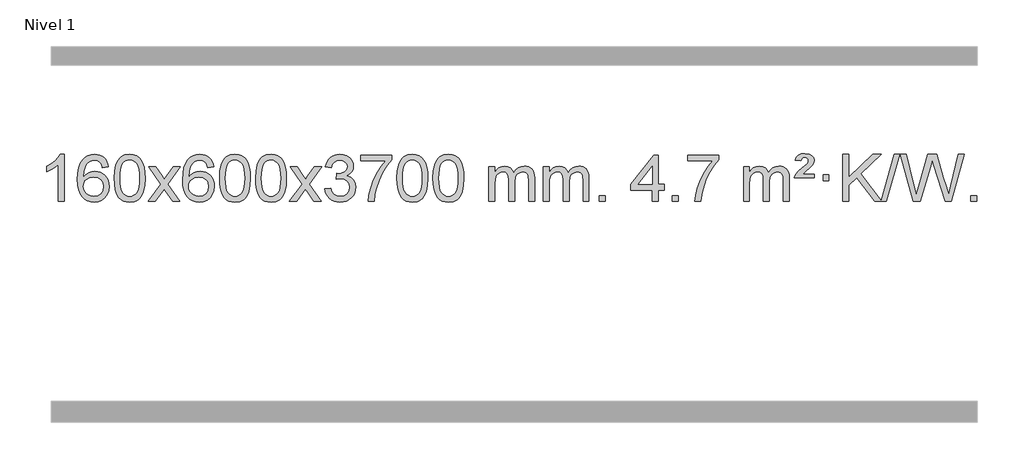
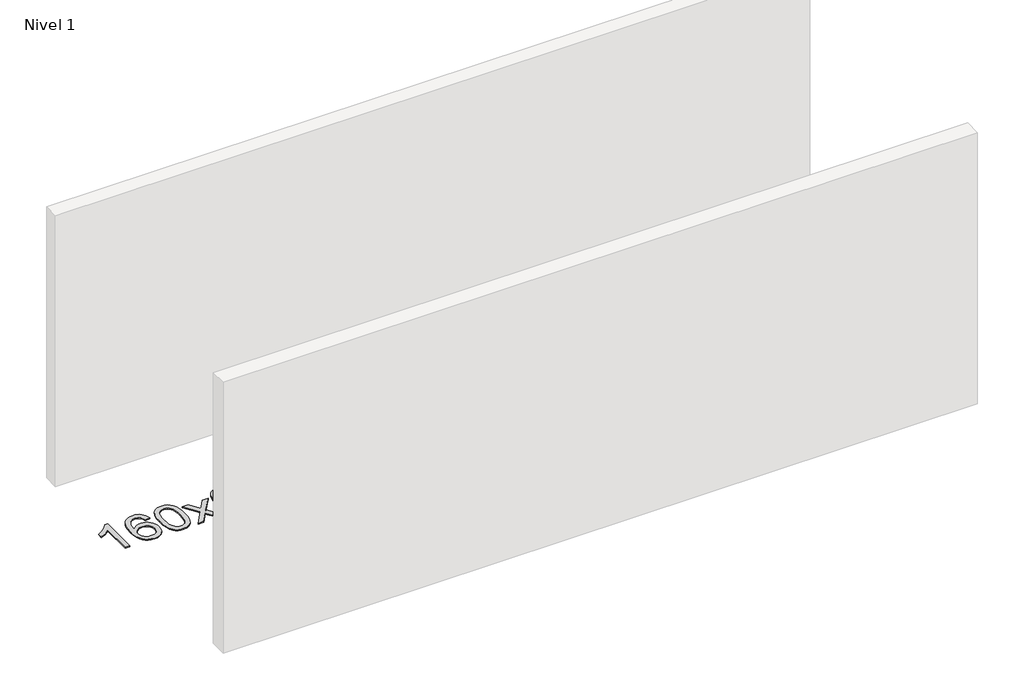
# One storey, part 9 of 16: 1 proxy.
"""IFC4 building model written with IfcOpenShell, lengths in millimetres."""

from ifc_helpers import new_model, si_unit, origin, origin_with_axes, place, context, project, spatial, polyline, outline, extrude, element, save

model = new_model("IFC4")

# Units and contexts
model_context = context("Model", 3, world=origin())
ifc_project = project(units=[si_unit("LENGTHUNIT", "METRE", prefix="MILLI")], contexts=[model_context])

# Site, building, storey
site = spatial("IfcSite", under=ifc_project)
building = spatial("IfcBuilding", under=site)
storey = spatial("IfcBuildingStorey", under=building, Name="Nivel 1", Elevation=0.0)

# Proxy
placement = place(None, origin())
element("IfcBuildingElementProxy", 1, Name="Texto de modelo 1", ObjectType="Texto de modelo 1", at=placement, inside=storey, context=model_context, shape_type="SweptSolid", body=[
    extrude(outline(polyline([(-121.6378538, -18470.579453), (-171.8660089, -18470.579453), (-171.8660089, -18157.4382987), (-192.8352826, -18174.3976587), (-219.4454136, -18191.3324932), (-272.3223191, -18216.6918254), (-272.3223191, -18169.2105225), (-232.8731065, -18147.7507395), (-198.6968691, -18122.219729), (-171.7556443, -18095.0700378), (-154.0114694, -18068.7542124), (-121.6378538, -18068.7542124), (-121.6378538, -18470.579453)])), origin_with_axes(), (0.0, 0.0, 1.0), 10.0),
    extrude(outline(polyline([(255.0733092, -18175.4890419), (204.8451541, -18181.7675613), (196.7517502, -18156.874213), (185.8133923, -18139.8780648), (163.029234, -18124.2062918), (135.4871353, -18118.9823675), (112.1388914, -18122.0235253), (90.1640735, -18131.1469988), (71.2917272, -18150.3627017), (55.8774716, -18176.8134171), (45.4664111, -18214.227016), (41.6036501, -18266.3313693), (61.7513207, -18242.8237098), (85.8966424, -18226.2567573), (112.6907143, -18216.434308), (140.784636, -18213.1601582), (164.9176949, -18215.398107), (187.1868184, -18222.1119534), (207.5920064, -18233.3016975), (226.1332589, -18248.9673391), (241.5413832, -18268.1769106), (252.5471862, -18289.9984443), (259.150668, -18314.4319401), (261.3518286, -18341.4773982), (257.2070248, -18377.4439945), (244.7726133, -18410.786366), (225.0786639, -18439.0642287), (199.1552459, -18459.8372987), (168.179582, -18472.602804), (133.3288943, -18476.8579724), (103.3863656, -18474.0375437), (76.3439732, -18465.5762579), (52.2017173, -18451.4741147), (30.9595978, -18431.7311143), (13.6415528, -18405.5133908), (1.2715207, -18371.9870783), (-6.1504985, -18331.1521768), (-8.6245049, -18283.0086864), (-5.8776527, -18229.0342663), (2.362904, -18182.9693092), (16.0971651, -18144.8138149), (35.3251308, -18114.5677835), (56.1656458, -18094.5243462), (80.3293615, -18080.2076052), (107.8162779, -18071.6175606), (138.626395, -18068.7542124), (161.7600411, -18070.5261773), (182.698658, -18075.8420722), (201.4422457, -18084.7018969), (217.9908041, -18097.1056515), (231.8967435, -18112.6364031), (242.7124742, -18130.8772186), (250.4379961, -18151.8280983), (255.0733092, -18175.4890419)]), holes=[polyline([(41.6036501, -18340.6925832), (44.5099179, -18362.9494439), (53.2287212, -18384.2007605), (66.7667786, -18402.472233), (84.1308088, -18415.7895612), (105.0878198, -18423.9197533), (129.4048197, -18426.6298173), (162.5509874, -18421.0134855), (176.4661239, -18413.9930708), (188.6092954, -18404.1644901), (198.4593358, -18391.9262824), (205.495079, -18377.6769865), (211.1236735, -18343.1451299), (205.5686554, -18309.9989621), (198.6248827, -18296.3781312), (188.903601, -18284.725469), (176.7236413, -18275.3904634), (162.4038346, -18268.7226022), (127.3446805, -18263.3883133), (94.2475637, -18268.7226022), (66.5705749, -18284.725469), (55.6475453, -18296.2248471), (47.8453813, -18309.3858254), (43.1640829, -18324.2084042), (41.6036501, -18340.6925832)])]), origin_with_axes(), (0.0, 0.0, 1.0), 10.0),
    extrude(outline(polyline([(305.3014643, -18272.9041943), (308.992547, -18208.5861588), (320.065795, -18157.2911459), (338.4108439, -18118.2343407), (350.2689068, -18103.0009605), (363.9173289, -18090.6309284), (379.4020952, -18081.0598651), (396.769191, -18074.2233914), (437.1503714, -18068.7542124), (468.1015099, -18071.991574), (495.8152869, -18081.7036586), (518.9918526, -18097.5103217), (536.3313573, -18119.0314184), (549.4279563, -18146.0830078), (559.8758049, -18178.4811488), (566.7184101, -18219.6226186), (568.9992784, -18272.9041943), (565.3449839, -18336.8543477), (554.3821005, -18388.0267333), (536.1474163, -18427.1203266), (524.3169444, -18442.3996922), (510.6777195, -18454.8341036), (495.174559, -18464.4695462), (477.7522809, -18471.3520052), (437.1503714, -18476.8579724), (409.4856453, -18474.4667394), (384.960179, -18467.2930405), (363.5739723, -18455.3368757), (345.3270254, -18438.5982449), (327.8158424, -18408.3399508), (315.3078546, -18370.6381776), (307.8030619, -18325.4929255), (305.3014643, -18272.9041943)]), holes=[polyline([(355.5296194, -18272.8060924), (357.0011473, -18316.4706195), (361.4157313, -18351.8148822), (368.7733712, -18378.8388804), (379.0740671, -18397.5426142), (391.533004, -18410.2682656), (405.365367, -18419.3580165), (420.5711561, -18424.8118671), (437.1503714, -18426.6298173), (453.7295866, -18424.8057357), (468.9353757, -18419.3334911), (482.7677388, -18410.2130833), (495.2266757, -18397.4445124), (505.5273715, -18378.7101217), (512.8850114, -18351.6922549), (517.2995954, -18316.3909118), (518.7711234, -18272.8060924), (517.3486463, -18230.2973278), (513.0812152, -18195.5753989), (505.9688299, -18168.6403055), (496.0114906, -18149.4920476), (483.7610201, -18136.1440625), (469.7692416, -18126.6097875), (454.0361549, -18120.8892225), (436.5617602, -18118.9823675), (420.068384, -18120.6623619), (405.1201123, -18125.7023452), (391.716945, -18134.1023175), (379.858882, -18145.8622786), (369.2148296, -18166.708925), (361.611935, -18194.8151094), (357.0501983, -18230.1808319), (355.5296194, -18272.8060924)])]), origin_with_axes(), (0.0, 0.0, 1.0), 10.0),
    extrude(outline(polyline([(594.113356, -18470.579453), (701.4367967, -18322.2494325), (600.3918754, -18175.4890419), (660.8226244, -18175.4890419), (709.5792515, -18246.122385), (732.3388843, -18279.4770192), (752.0573592, -18252.2047007), (807.583015, -18175.4890419), (868.0137641, -18175.4890419), (761.8675458, -18322.2494325), (864.0896895, -18470.579453), (803.6589404, -18470.579453), (742.1490708, -18381.4048574), (730.8673563, -18365.1199477), (654.544105, -18470.579453), (594.113356, -18470.579453)])), origin_with_axes(), (0.0, 0.0, 1.0), 10.0),
    extrude(outline(polyline([(1152.9015812, -18175.4890419), (1102.6734261, -18181.7675613), (1094.5800222, -18156.874213), (1083.6416642, -18139.8780648), (1060.857506, -18124.2062918), (1033.3154073, -18118.9823675), (1009.9671633, -18122.0235253), (987.9923455, -18131.1469988), (969.1199991, -18150.3627017), (953.7057435, -18176.8134171), (943.2946831, -18214.227016), (939.4319221, -18266.3313693), (959.5795927, -18242.8237098), (983.7249143, -18226.2567573), (1010.5189863, -18216.434308), (1038.612908, -18213.1601582), (1062.7459669, -18215.398107), (1085.0150903, -18222.1119534), (1105.4202783, -18233.3016975), (1123.9615309, -18248.9673391), (1139.3696551, -18268.1769106), (1150.3754581, -18289.9984443), (1156.97894, -18314.4319401), (1159.1801006, -18341.4773982), (1155.0352967, -18377.4439945), (1142.6008853, -18410.786366), (1122.9069358, -18439.0642287), (1096.9835179, -18459.8372987), (1066.0078539, -18472.602804), (1031.1571662, -18476.8579724), (1001.2146375, -18474.0375437), (974.1722452, -18465.5762579), (950.0299893, -18451.4741147), (928.7878697, -18431.7311143), (911.4698248, -18405.5133908), (899.0997927, -18371.9870783), (891.6777734, -18331.1521768), (889.203767, -18283.0086864), (891.9506193, -18229.0342663), (900.191176, -18182.9693092), (913.9254371, -18144.8138149), (933.1534027, -18114.5677835), (953.9939177, -18094.5243462), (978.1576335, -18080.2076052), (1005.6445499, -18071.6175606), (1036.454667, -18068.7542124), (1059.5883131, -18070.5261773), (1080.52693, -18075.8420722), (1099.2705176, -18084.7018969), (1115.8190761, -18097.1056515), (1129.7250155, -18112.6364031), (1140.5407461, -18130.8772186), (1148.266268, -18151.8280983), (1152.9015812, -18175.4890419)]), holes=[polyline([(939.4319221, -18340.6925832), (942.3381899, -18362.9494439), (951.0569932, -18384.2007605), (964.5950506, -18402.472233), (981.9590807, -18415.7895612), (1002.9160917, -18423.9197533), (1027.2330916, -18426.6298173), (1060.3792594, -18421.0134855), (1074.2943959, -18413.9930708), (1086.4375674, -18404.1644901), (1096.2876078, -18391.9262824), (1103.323351, -18377.6769865), (1108.9519455, -18343.1451299), (1103.3969274, -18309.9989621), (1096.4531547, -18296.3781312), (1086.731873, -18284.725469), (1074.5519133, -18275.3904634), (1060.2321066, -18268.7226022), (1025.1729524, -18263.3883133), (992.0758356, -18268.7226022), (964.3988468, -18284.725469), (953.4758173, -18296.2248471), (945.6736533, -18309.3858254), (940.9923549, -18324.2084042), (939.4319221, -18340.6925832)])]), origin_with_axes(), (0.0, 0.0, 1.0), 10.0),
    extrude(outline(polyline([(1203.1297362, -18272.9041943), (1206.8208189, -18208.5861588), (1217.894067, -18157.2911459), (1236.2391158, -18118.2343407), (1248.0971788, -18103.0009605), (1261.7456008, -18090.6309284), (1277.2303671, -18081.0598651), (1294.597463, -18074.2233914), (1334.9786433, -18068.7542124), (1365.9297818, -18071.991574), (1393.6435588, -18081.7036586), (1416.8201245, -18097.5103217), (1434.1596292, -18119.0314184), (1447.2562282, -18146.0830078), (1457.7040769, -18178.4811488), (1464.546682, -18219.6226186), (1466.8275504, -18272.9041943), (1463.1732559, -18336.8543477), (1452.2103725, -18388.0267333), (1433.9756882, -18427.1203266), (1422.1452164, -18442.3996922), (1408.5059914, -18454.8341036), (1393.002831, -18464.4695462), (1375.5805529, -18471.3520052), (1334.9786433, -18476.8579724), (1307.3139173, -18474.4667394), (1282.7884509, -18467.2930405), (1261.4022443, -18455.3368757), (1243.1552973, -18438.5982449), (1225.6441144, -18408.3399508), (1213.1361265, -18370.6381776), (1205.6313338, -18325.4929255), (1203.1297362, -18272.9041943)]), holes=[polyline([(1253.3578913, -18272.8060924), (1254.8294193, -18316.4706195), (1259.2440032, -18351.8148822), (1266.6016432, -18378.8388804), (1276.902339, -18397.5426142), (1289.3612759, -18410.2682656), (1303.1936389, -18419.3580165), (1318.3994281, -18424.8118671), (1334.9786433, -18426.6298173), (1351.5578586, -18424.8057357), (1366.7636477, -18419.3334911), (1380.5960107, -18410.2130833), (1393.0549476, -18397.4445124), (1403.3556435, -18378.7101217), (1410.7132834, -18351.6922549), (1415.1278673, -18316.3909118), (1416.5993953, -18272.8060924), (1415.1769183, -18230.2973278), (1410.9094871, -18195.5753989), (1403.7971019, -18168.6403055), (1393.8397625, -18149.4920476), (1381.5892921, -18136.1440625), (1367.5975136, -18126.6097875), (1351.8644269, -18120.8892225), (1334.3900321, -18118.9823675), (1317.896656, -18120.6623619), (1302.9483843, -18125.7023452), (1289.5452169, -18134.1023175), (1277.6871539, -18145.8622786), (1267.0431015, -18166.708925), (1259.440207, -18194.8151094), (1254.8784702, -18230.1808319), (1253.3578913, -18272.8060924)])]), origin_with_axes(), (0.0, 0.0, 1.0), 10.0),
    extrude(outline(polyline([(1510.7771861, -18272.9041943), (1514.4682688, -18208.5861588), (1525.5415168, -18157.2911459), (1543.8865656, -18118.2343407), (1555.7446286, -18103.0009605), (1569.3930506, -18090.6309284), (1584.877817, -18081.0598651), (1602.2449128, -18074.2233914), (1642.6260932, -18068.7542124), (1673.5772317, -18071.991574), (1701.2910087, -18081.7036586), (1724.4675743, -18097.5103217), (1741.8070791, -18119.0314184), (1754.9036781, -18146.0830078), (1765.3515267, -18178.4811488), (1772.1941319, -18219.6226186), (1774.4750002, -18272.9041943), (1770.8207057, -18336.8543477), (1759.8578223, -18388.0267333), (1741.6231381, -18427.1203266), (1729.7926662, -18442.3996922), (1716.1534413, -18454.8341036), (1700.6502808, -18464.4695462), (1683.2280027, -18471.3520052), (1642.6260932, -18476.8579724), (1614.9613671, -18474.4667394), (1590.4359008, -18467.2930405), (1569.0496941, -18455.3368757), (1550.8027472, -18438.5982449), (1533.2915642, -18408.3399508), (1520.7835764, -18370.6381776), (1513.2787836, -18325.4929255), (1510.7771861, -18272.9041943)]), holes=[polyline([(1561.0053412, -18272.8060924), (1562.4768691, -18316.4706195), (1566.8914531, -18351.8148822), (1574.249093, -18378.8388804), (1584.5497888, -18397.5426142), (1597.0087258, -18410.2682656), (1610.8410888, -18419.3580165), (1626.0468779, -18424.8118671), (1642.6260932, -18426.6298173), (1659.2053084, -18424.8057357), (1674.4110975, -18419.3334911), (1688.2434606, -18410.2130833), (1700.7023975, -18397.4445124), (1711.0030933, -18378.7101217), (1718.3607332, -18351.6922549), (1722.7753172, -18316.3909118), (1724.2468452, -18272.8060924), (1722.8243681, -18230.2973278), (1718.556937, -18195.5753989), (1711.4445517, -18168.6403055), (1701.4872124, -18149.4920476), (1689.2367419, -18136.1440625), (1675.2449634, -18126.6097875), (1659.5118767, -18120.8892225), (1642.037482, -18118.9823675), (1625.5441058, -18120.6623619), (1610.5958341, -18125.7023452), (1597.1926667, -18134.1023175), (1585.3346038, -18145.8622786), (1574.6905514, -18166.708925), (1567.0876568, -18194.8151094), (1562.5259201, -18230.1808319), (1561.0053412, -18272.8060924)])]), origin_with_axes(), (0.0, 0.0, 1.0), 10.0),
    extrude(outline(polyline([(1799.5890778, -18470.579453), (1906.9125185, -18322.2494325), (1805.8675971, -18175.4890419), (1866.2983462, -18175.4890419), (1915.0549733, -18246.122385), (1937.8146061, -18279.4770192), (1957.533081, -18252.2047007), (2013.0587368, -18175.4890419), (2073.4894859, -18175.4890419), (1967.3432676, -18322.2494325), (2069.5654113, -18470.579453), (2009.1346622, -18470.579453), (1947.6247926, -18381.4048574), (1936.3430781, -18365.1199477), (1860.0198268, -18470.579453), (1799.5890778, -18470.579453)])), origin_with_axes(), (0.0, 0.0, 1.0), 10.0),
    extrude(outline(polyline([(2100.9580082, -18363.8446235), (2151.1861633, -18357.5661041), (2162.4310896, -18389.1303793), (2178.8999403, -18410.4430095), (2201.4020556, -18422.5831154), (2230.7467761, -18426.6298173), (2265.1805309, -18421.0625364), (2279.4543523, -18414.1034354), (2291.7661364, -18404.3606939), (2308.7622846, -18379.4428201), (2314.4276673, -18349.2274455), (2308.8113355, -18320.5449126), (2291.9623401, -18297.2825078), (2266.4558551, -18281.8682522), (2234.8670545, -18276.730167), (2199.6484848, -18282.2238715), (2205.2402911, -18231.9957164), (2213.2846441, -18232.5843276), (2243.3773913, -18228.979084), (2270.2818279, -18218.1633534), (2281.3550759, -18209.9841103), (2289.2645388, -18199.8673555), (2294.0102165, -18187.8130888), (2295.5921091, -18173.8213102), (2291.0058469, -18152.1285352), (2277.2470603, -18134.5315131), (2256.2532611, -18122.8696539), (2229.9619612, -18118.9823675), (2203.6216103, -18122.9064421), (2182.0882509, -18134.6786659), (2166.367427, -18154.299039), (2157.4646827, -18181.7675613), (2107.2365276, -18175.4890419), (2113.1900846, -18151.5092672), (2122.0253838, -18130.3867093), (2133.7424253, -18112.1213683), (2148.3412092, -18096.713244), (2165.3618828, -18084.4811677), (2184.3445938, -18075.7439703), (2205.289342, -18070.5016519), (2228.1961276, -18068.7542124), (2259.7726655, -18072.2000404), (2288.7740295, -18082.5375245), (2313.2259194, -18098.8469596), (2331.1540353, -18120.2086408), (2342.153707, -18144.8199463), (2345.8202642, -18170.8782543), (2342.337648, -18195.1584659), (2331.8897993, -18217.1823347), (2314.623871, -18235.9443165), (2290.6870159, -18250.4388671), (2322.1286637, -18263.1430586), (2345.4278567, -18284.77452), (2359.848831, -18314.1560286), (2364.6558224, -18350.1103623), (2362.2523267, -18375.5923218), (2355.0418395, -18399.0631931), (2343.024361, -18420.5229762), (2326.1998911, -18439.971671), (2305.7027326, -18456.1094278), (2282.6671884, -18467.636397), (2257.0932583, -18474.5525785), (2228.9809425, -18476.8579724), (2203.5725594, -18474.8898037), (2180.4205192, -18468.9852977), (2159.5248218, -18459.1444543), (2140.8854674, -18445.3672736), (2125.256614, -18428.4630959), (2113.3924196, -18409.2412617), (2105.2928844, -18387.7017708), (2100.9580082, -18363.8446235)])), origin_with_axes(), (0.0, 0.0, 1.0), 10.0),
    extrude(outline(polyline([(2408.605458, -18125.2608869), (2408.605458, -18075.0327318), (2672.3032722, -18075.0327318), (2672.3032722, -18115.646904), (2634.717995, -18163.214046), (2597.5005998, -18223.7061088), (2564.6732631, -18291.6048623), (2540.2581614, -18361.3920768), (2528.2897338, -18413.6067947), (2521.618807, -18470.579453), (2471.3906519, -18470.579453), (2476.8230427, -18418.8061935), (2491.3543815, -18357.2717985), (2514.5922609, -18292.0463207), (2546.1442733, -18229.1998132), (2582.9815238, -18172.3865704), (2622.0751171, -18125.2608869), (2408.605458, -18125.2608869)])), origin_with_axes(), (0.0, 0.0, 1.0), 10.0),
    extrude(outline(polyline([(2716.2529079, -18272.9041943), (2719.9439906, -18208.5861588), (2731.0172386, -18157.2911459), (2749.3622874, -18118.2343407), (2761.2203504, -18103.0009605), (2774.8687724, -18090.6309284), (2790.3535388, -18081.0598651), (2807.7206346, -18074.2233914), (2848.1018149, -18068.7542124), (2879.0529535, -18071.991574), (2906.7667304, -18081.7036586), (2929.9432961, -18097.5103217), (2947.2828008, -18119.0314184), (2960.3793999, -18146.0830078), (2970.8272485, -18178.4811488), (2977.6698537, -18219.6226186), (2979.950722, -18272.9041943), (2976.2964275, -18336.8543477), (2965.3335441, -18388.0267333), (2947.0988599, -18427.1203266), (2935.268388, -18442.3996922), (2921.6291631, -18454.8341036), (2906.1260026, -18464.4695462), (2888.7037245, -18471.3520052), (2848.1018149, -18476.8579724), (2820.4370889, -18474.4667394), (2795.9116226, -18467.2930405), (2774.5254159, -18455.3368757), (2756.278469, -18438.5982449), (2738.767286, -18408.3399508), (2726.2592981, -18370.6381776), (2718.7545054, -18325.4929255), (2716.2529079, -18272.9041943)]), holes=[polyline([(2766.481063, -18272.8060924), (2767.9525909, -18316.4706195), (2772.3671749, -18351.8148822), (2779.7248148, -18378.8388804), (2790.0255106, -18397.5426142), (2802.4844475, -18410.2682656), (2816.3168106, -18419.3580165), (2831.5225997, -18424.8118671), (2848.1018149, -18426.6298173), (2864.6810302, -18424.8057357), (2879.8868193, -18419.3334911), (2893.7191824, -18410.2130833), (2906.1781193, -18397.4445124), (2916.4788151, -18378.7101217), (2923.836455, -18351.6922549), (2928.251039, -18316.3909118), (2929.7225669, -18272.8060924), (2928.3000899, -18230.2973278), (2924.0326588, -18195.5753989), (2916.9202735, -18168.6403055), (2906.9629342, -18149.4920476), (2894.7124637, -18136.1440625), (2880.7206852, -18126.6097875), (2864.9875985, -18120.8892225), (2847.5132038, -18118.9823675), (2831.0198276, -18120.6623619), (2816.0715559, -18125.7023452), (2802.6683885, -18134.1023175), (2790.8103256, -18145.8622786), (2780.1662732, -18166.708925), (2772.5633786, -18194.8151094), (2768.0016419, -18230.1808319), (2766.481063, -18272.8060924)])]), origin_with_axes(), (0.0, 0.0, 1.0), 10.0),
    extrude(outline(polyline([(3023.9003577, -18272.9041943), (3027.5914404, -18208.5861588), (3038.6646885, -18157.2911459), (3057.0097373, -18118.2343407), (3068.8678003, -18103.0009605), (3082.5162223, -18090.6309284), (3098.0009886, -18081.0598651), (3115.3680844, -18074.2233914), (3155.7492648, -18068.7542124), (3186.7004033, -18071.991574), (3214.4141803, -18081.7036586), (3237.590746, -18097.5103217), (3254.9302507, -18119.0314184), (3268.0268497, -18146.0830078), (3278.4746984, -18178.4811488), (3285.3173035, -18219.6226186), (3287.5981719, -18272.9041943), (3283.9438774, -18336.8543477), (3272.9809939, -18388.0267333), (3254.7463097, -18427.1203266), (3242.9158379, -18442.3996922), (3229.2766129, -18454.8341036), (3213.7734525, -18464.4695462), (3196.3511743, -18471.3520052), (3155.7492648, -18476.8579724), (3128.0845387, -18474.4667394), (3103.5590724, -18467.2930405), (3082.1728657, -18455.3368757), (3063.9259188, -18438.5982449), (3046.4147358, -18408.3399508), (3033.906748, -18370.6381776), (3026.4019553, -18325.4929255), (3023.9003577, -18272.9041943)]), holes=[polyline([(3074.1285128, -18272.8060924), (3075.6000408, -18316.4706195), (3080.0146247, -18351.8148822), (3087.3722646, -18378.8388804), (3097.6729605, -18397.5426142), (3110.1318974, -18410.2682656), (3123.9642604, -18419.3580165), (3139.1700495, -18424.8118671), (3155.7492648, -18426.6298173), (3172.32848, -18424.8057357), (3187.5342692, -18419.3334911), (3201.3666322, -18410.2130833), (3213.8255691, -18397.4445124), (3224.126265, -18378.7101217), (3231.4839049, -18351.6922549), (3235.8984888, -18316.3909118), (3237.3700168, -18272.8060924), (3235.9475397, -18230.2973278), (3231.6801086, -18195.5753989), (3224.5677233, -18168.6403055), (3214.610384, -18149.4920476), (3202.3599136, -18136.1440625), (3188.368135, -18126.6097875), (3172.6350484, -18120.8892225), (3155.1606536, -18118.9823675), (3138.6672775, -18120.6623619), (3123.7190057, -18125.7023452), (3110.3158384, -18134.1023175), (3098.4577754, -18145.8622786), (3087.813723, -18166.708925), (3080.2108284, -18194.8151094), (3075.6490917, -18230.1808319), (3074.1285128, -18272.8060924)])]), origin_with_axes(), (0.0, 0.0, 1.0), 10.0),
    extrude(outline(polyline([(3501.0678309, -18470.579453), (3501.0678309, -18175.4890419), (3551.295986, -18175.4890419), (3551.295986, -18224.0494653), (3566.4036733, -18201.7435537), (3585.8278426, -18184.2691589), (3608.9063064, -18172.9751816), (3634.9768772, -18169.2105225), (3662.9113833, -18173.048758), (3685.3031341, -18184.5634645), (3702.0295022, -18202.9943524), (3712.9678601, -18227.5811324), (3731.2761208, -18202.0439906), (3752.1595554, -18183.803175), (3775.6181639, -18172.8586857), (3801.6519464, -18169.2105225), (3821.7597632, -18170.7280358), (3839.4089019, -18175.2805755), (3854.5993626, -18182.8681416), (3867.3311453, -18193.4907342), (3877.3957836, -18207.2709806), (3884.5848109, -18224.3315082), (3888.8982273, -18244.6723168), (3890.3360328, -18268.2934066), (3890.3360328, -18470.579453), (3840.1078777, -18470.579453), (3840.1078777, -18289.875817), (3838.942918, -18264.8230531), (3835.4480391, -18247.9372695), (3828.8997396, -18236.3735121), (3818.5745182, -18227.2868268), (3805.2939782, -18221.4007149), (3789.8797226, -18219.4386776), (3762.6687177, -18224.4663982), (3740.4854334, -18239.54956), (3731.8800604, -18251.1194488), (3725.7333654, -18265.7182326), (3720.8160094, -18304.0024856), (3720.8160094, -18470.579453), (3670.5878543, -18470.579453), (3670.5878543, -18284.2840106), (3667.6815865, -18255.8835206), (3658.9627833, -18235.6254854), (3643.6221041, -18223.4853796), (3620.8502086, -18219.4386776), (3601.4996156, -18222.1364789), (3583.6696016, -18230.2298828), (3568.9543218, -18243.5226856), (3558.9479315, -18261.8186835), (3553.2089724, -18287.2025411), (3551.295986, -18321.7589232), (3551.295986, -18470.579453), (3501.0678309, -18470.579453)])), origin_with_axes(), (0.0, 0.0, 1.0), 10.0),
    extrude(outline(polyline([(3965.6782654, -18470.579453), (3965.6782654, -18175.4890419), (4015.9064204, -18175.4890419), (4015.9064204, -18224.0494653), (4031.0141077, -18201.7435537), (4050.4382771, -18184.2691589), (4073.5167409, -18172.9751816), (4099.5873116, -18169.2105225), (4127.5218178, -18173.048758), (4149.9135685, -18184.5634645), (4166.6399366, -18202.9943524), (4177.5782946, -18227.5811324), (4195.8865552, -18202.0439906), (4216.7699898, -18183.803175), (4240.2285984, -18172.8586857), (4266.2623809, -18169.2105225), (4286.3701976, -18170.7280358), (4304.0193363, -18175.2805755), (4319.209797, -18182.8681416), (4331.9415798, -18193.4907342), (4342.006218, -18207.2709806), (4349.1952453, -18224.3315082), (4353.5086617, -18244.6723168), (4354.9464672, -18268.2934066), (4354.9464672, -18470.579453), (4304.7183121, -18470.579453), (4304.7183121, -18289.875817), (4303.5533525, -18264.8230531), (4300.0584735, -18247.9372695), (4293.510174, -18236.3735121), (4283.1849527, -18227.2868268), (4269.9044126, -18221.4007149), (4254.490157, -18219.4386776), (4227.2791521, -18224.4663982), (4205.0958678, -18239.54956), (4196.4904948, -18251.1194488), (4190.3437998, -18265.7182326), (4185.4264438, -18304.0024856), (4185.4264438, -18470.579453), (4135.1982887, -18470.579453), (4135.1982887, -18284.2840106), (4132.292021, -18255.8835206), (4123.5732177, -18235.6254854), (4108.2325385, -18223.4853796), (4085.460643, -18219.4386776), (4066.11005, -18222.1364789), (4048.280036, -18230.2298828), (4033.5647562, -18243.5226856), (4023.5583659, -18261.8186835), (4017.8194068, -18287.2025411), (4015.9064204, -18321.7589232), (4015.9064204, -18470.579453), (3965.6782654, -18470.579453)])), origin_with_axes(), (0.0, 0.0, 1.0), 10.0),
    extrude(outline(polyline([(4442.8457386, -18470.579453), (4442.8457386, -18420.3512979), (4493.0738936, -18420.3512979), (4493.0738936, -18470.579453), (4442.8457386, -18470.579453)])), origin_with_axes(), (0.0, 0.0, 1.0), 10.0),
    extrude(outline(polyline([(4894.8991342, -18470.579453), (4894.8991342, -18376.4016622), (4712.8220721, -18376.4016622), (4712.8220721, -18326.1735072), (4907.456173, -18075.0327318), (4945.1272893, -18075.0327318), (4945.1272893, -18326.1735072), (4995.3554444, -18326.1735072), (4995.3554444, -18376.4016622), (4945.1272893, -18376.4016622), (4945.1272893, -18470.579453), (4894.8991342, -18470.579453)]), holes=[polyline([(4894.8991342, -18326.1735072), (4894.8991342, -18170.9763561), (4774.6262473, -18326.1735072), (4894.8991342, -18326.1735072)])]), origin_with_axes(), (0.0, 0.0, 1.0), 10.0),
    extrude(outline(polyline([(5064.4191576, -18470.579453), (5064.4191576, -18420.3512979), (5114.6473127, -18420.3512979), (5114.6473127, -18470.579453), (5064.4191576, -18470.579453)])), origin_with_axes(), (0.0, 0.0, 1.0), 10.0),
    extrude(outline(polyline([(5196.2680647, -18125.2608869), (5196.2680647, -18075.0327318), (5459.9658788, -18075.0327318), (5459.9658788, -18115.646904), (5422.3806017, -18163.214046), (5385.1632065, -18223.7061088), (5352.3358698, -18291.6048623), (5327.920768, -18361.3920768), (5315.9523405, -18413.6067947), (5309.2814136, -18470.579453), (5259.0532585, -18470.579453), (5264.4856493, -18418.8061935), (5279.0169881, -18357.2717985), (5302.2548675, -18292.0463207), (5333.80688, -18229.1998132), (5370.6441304, -18172.3865704), (5409.7377238, -18125.2608869), (5196.2680647, -18125.2608869)])), origin_with_axes(), (0.0, 0.0, 1.0), 10.0),
    extrude(outline(polyline([(5673.4355379, -18470.579453), (5673.4355379, -18175.4890419), (5723.663693, -18175.4890419), (5723.663693, -18224.0494653), (5738.7713803, -18201.7435537), (5758.1955496, -18184.2691589), (5781.2740134, -18172.9751816), (5807.3445842, -18169.2105225), (5835.2790903, -18173.048758), (5857.6708411, -18184.5634645), (5874.3972091, -18202.9943524), (5885.3355671, -18227.5811324), (5903.6438278, -18202.0439906), (5924.5272623, -18183.803175), (5947.9858709, -18172.8586857), (5974.0196534, -18169.2105225), (5994.1274702, -18170.7280358), (6011.7766089, -18175.2805755), (6026.9670696, -18182.8681416), (6039.6988523, -18193.4907342), (6049.7634906, -18207.2709806), (6056.9525179, -18224.3315082), (6061.2659343, -18244.6723168), (6062.7037397, -18268.2934066), (6062.7037397, -18470.579453), (6012.4755847, -18470.579453), (6012.4755847, -18289.875817), (6011.310625, -18264.8230531), (6007.8157461, -18247.9372695), (6001.2674465, -18236.3735121), (5990.9422252, -18227.2868268), (5977.6616852, -18221.4007149), (5962.2474296, -18219.4386776), (5935.0364247, -18224.4663982), (5912.8531404, -18239.54956), (5904.2477674, -18251.1194488), (5898.1010724, -18265.7182326), (5893.1837164, -18304.0024856), (5893.1837164, -18470.579453), (5842.9555613, -18470.579453), (5842.9555613, -18284.2840106), (5840.0492935, -18255.8835206), (5831.3304902, -18235.6254854), (5815.989811, -18223.4853796), (5793.2179155, -18219.4386776), (5773.8673226, -18222.1364789), (5756.0373086, -18230.2298828), (5741.3220287, -18243.5226856), (5731.3156385, -18261.8186835), (5725.5766794, -18287.2025411), (5723.663693, -18321.7589232), (5723.663693, -18470.579453), (5673.4355379, -18470.579453)])), origin_with_axes(), (0.0, 0.0, 1.0), 10.0),
    extrude(outline(polyline([(6106.6533754, -18269.6668327), (6110.4793482, -18253.8479069), (6118.8180067, -18237.9799302), (6140.3268407, -18212.8413272), (6172.2835234, -18185.1030247), (6216.4293628, -18147.726214), (6223.5662735, -18136.1992448), (6225.9452437, -18124.3779701), (6224.0567828, -18112.2869152), (6218.3914001, -18102.5012541), (6209.022672, -18096.026531), (6196.0241748, -18093.8682899), (6183.5897634, -18095.4869707), (6174.73607, -18100.343013), (6168.3103978, -18109.8098431), (6163.1600499, -18125.2608869), (6112.9318948, -18118.9823675), (6123.7721509, -18093.7701881), (6140.4004171, -18076.2099542), (6164.165594, -18065.9092583), (6196.4165822, -18062.475693), (6232.1992376, -18066.6082341), (6256.9454332, -18079.0058573), (6271.3664074, -18097.3386434), (6276.1733988, -18119.2766731), (6272.0776459, -18142.1834586), (6259.7903873, -18163.8149199), (6239.262572, -18183.6314968), (6202.7932035, -18211.6886303), (6177.1886166, -18238.2742358), (6276.1733988, -18238.2742358), (6276.1733988, -18269.6668327), (6106.6533754, -18269.6668327)])), origin_with_axes(), (0.0, 0.0, 1.0), 10.0),
    extrude(outline(polyline([(6351.5156314, -18294.7809102), (6351.5156314, -18244.5527552), (6401.7437865, -18244.5527552), (6401.7437865, -18294.7809102), (6351.5156314, -18294.7809102)])), origin_with_axes(), (0.0, 0.0, 1.0), 10.0),
    extrude(outline(polyline([(6792.3854144, -18470.579453), (6638.954097, -18267.9009991), (6571.2638099, -18332.4520265), (6571.2638099, -18470.579453), (6521.0356548, -18470.579453), (6521.0356548, -18068.7542124), (6571.2638099, -18068.7542124), (6571.2638099, -18265.4484525), (6777.2777272, -18068.7542124), (6847.5186628, -18068.7542124), (6674.5650741, -18233.9577537), (6849.218684, -18464.5349332), (6960.5320117, -18068.7542124), (7005.8550735, -18068.7542124), (6892.8417246, -18470.579453), (6853.7971822, -18470.579453), (6847.5186628, -18470.579453), (6792.3854144, -18470.579453)])), origin_with_axes(), (0.0, 0.0, 1.0), 10.0),
    extrude(outline(polyline([(7120.3399504, -18470.579453), (7010.7601668, -18068.7542124), (7062.5579517, -18068.7542124), (7126.1279605, -18332.844434), (7145.7483335, -18414.3670841), (7166.7421327, -18342.2622131), (7246.4008474, -18068.7542124), (7321.056367, -18068.7542124), (7378.9364675, -18267.0180823), (7403.731714, -18340.5944814), (7422.0031864, -18414.3670841), (7441.0349483, -18335.1988788), (7505.1935683, -18068.7542124), (7556.9913532, -18068.7542124), (7447.3134677, -18470.579453), (7393.6517474, -18470.579453), (7297.3157155, -18160.5775584), (7283.87576, -18117.3146358), (7268.7680727, -18169.4067263), (7180.9669032, -18470.579453), (7120.3399504, -18470.579453)])), origin_with_axes(), (0.0, 0.0, 1.0), 10.0),
    extrude(outline(polyline([(7613.4980277, -18470.579453), (7613.4980277, -18420.3512979), (7663.7261827, -18420.3512979), (7663.7261827, -18470.579453), (7613.4980277, -18470.579453)])), origin_with_axes(), (0.0, 0.0, 1.0), 10.0),
])

save(model, "model.ifc")
